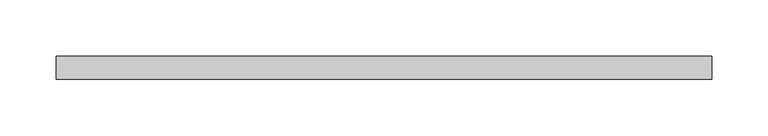
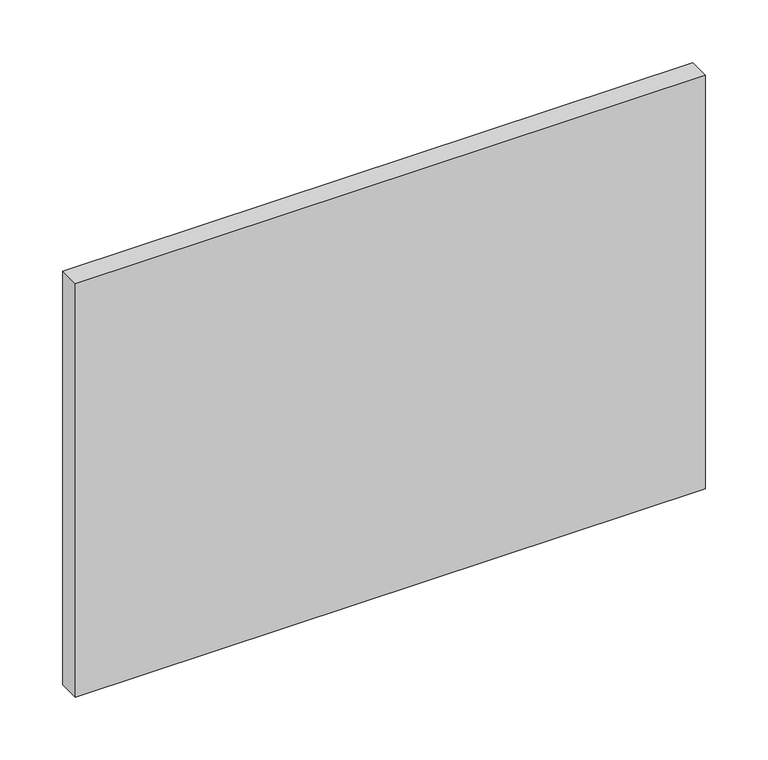
"""IFC4 building model written with IfcOpenShell, lengths in millimetres: plate geometry."""

from ifc_helpers import new_model, si_unit, origin, origin_with_axes, place, context, project, spatial, polyline, outline, extrude, source, transform, mapped, element, save


def plate_cf62c605(model_context):
    return source(origin(), model_context, "Body", "SweptSolid", [
        extrude(outline(polyline([(290.0, 70.0), (-290.0, 70.0), (-290.0, 90.0), (290.0, 90.0), (290.0, 70.0)])), origin_with_axes(), (0.0, 0.0, 1.0), 402.3076923),
    ])


if __name__ == "__main__":
    model = new_model("IFC4")
    model_context = context("Model", 3, world=origin())
    ifc_project = project(units=[si_unit("LENGTHUNIT", "METRE", prefix="MILLI")], contexts=[model_context])
    site = spatial("IfcSite", under=ifc_project)
    building = spatial("IfcBuilding", under=site)
    placement = place(None, origin())
    plate_shape = plate_cf62c605(model_context)
    element("IfcPlate", 1, at=placement, inside=building, context=model_context, shape_type="MappedRepresentation", body=[
        mapped(plate_shape, transform((0.0, 0.0, 0.0), x_axis=(1.0, 0.0, 0.0), y_axis=(0.0, 1.0, 0.0), z_axis=(0.0, 0.0, 1.0))),
    ])
    save(model, "model.ifc")
